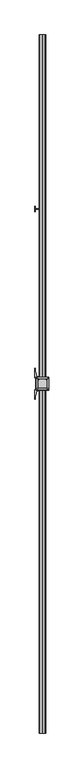
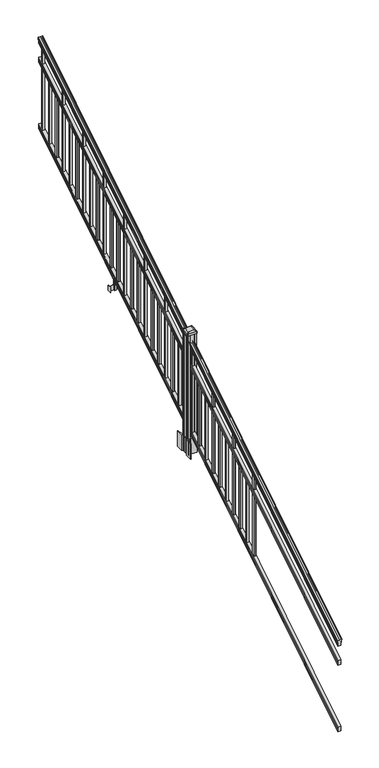
"""IFC4 building model written with IfcOpenShell, lengths in millimetres: railing geometry."""

from ifc_helpers import new_model, si_unit, point, frame, frame_2d, origin, place, context, project, spatial, polyline, circle_curve, ellipse_curve, trimmed, segment, composite_curve, outline, extrude, faceted_brep, source, transform, mapped, element, save
from ifc_brep_helpers import plane_surface, cylinder_surface, revolved_surface, extruded_surface, advanced_brep


def railing_d017ed5e(model_context):
    return source(origin(), model_context, "Body", "SolidModel", [
        advanced_brep(
        [(8349.0704765, -115957.2628453, 1133.2070492), (8349.0704765, -115957.2628453, 1135.4335658), (8350.2006628, -115957.2628453, 1137.2758543), (8350.2006628, -115957.2628453, 1145.7876358), (8349.5514064, -115957.2628453, 1148.6572588), (8352.0514064, -115957.2628453, 1153.7635509), (8353.4607489, -115957.2628453, 1155.7442021), (8353.8626479, -115957.2628453, 1157.0469579), (8353.8626478, -115957.2628453, 1158.6274846), (8352.3092005, -115957.2628453, 1160.4593836), (8331.6376478, -115957.2628453, 1160.4593836), (8310.966095, -115957.2628453, 1160.4593836), (8309.4126478, -115957.2628453, 1158.6274846), (8309.4126478, -115957.2628453, 1157.0469579), (8309.8145467, -115957.2628453, 1155.7442021), (8311.2238891, -115957.2628453, 1153.7635509), (8313.7238891, -115957.2628453, 1148.6572588), (8313.0746327, -115957.2628453, 1145.7876358), (8313.0746327, -115957.2628453, 1137.2758543), (8314.204819, -115957.2628453, 1135.4335658), (8314.204819, -115957.2628453, 1133.2070492), (8316.7786478, -115957.2628453, 1133.2070492), (8316.7786478, -115957.2628453, 1120.825537), (8315.7626478, -115957.2628453, 1119.6274214), (8315.7626478, -115957.2628453, 1104.9), (8347.5126478, -115957.2628453, 1104.9), (8347.5126478, -115957.2628453, 1119.441318), (8346.4966478, -115957.2628453, 1120.6394336), (8346.4966478, -115957.2628453, 1133.2070492), (8349.0704765, -111080.4628453, 4181.2070492), (8346.4966478, -111080.4628453, 4181.2070492), (8346.4966478, -111080.4628453, 4168.6394336), (8347.5126478, -111080.4628453, 4167.441318), (8347.5126478, -111080.4628453, 4152.9), (8315.7626478, -111080.4628453, 4152.9), (8315.7626478, -111080.4628453, 4167.6274214), (8316.7786478, -111080.4628453, 4168.825537), (8316.7786478, -111080.4628453, 4181.2070492), (8314.204819, -111080.4628453, 4181.2070492), (8314.204819, -111080.4628453, 4183.4335658), (8313.0746327, -111080.4628453, 4185.2758543), (8313.0746327, -111080.4628453, 4193.7876358), (8313.7238891, -111080.4628453, 4196.6572588), (8311.2238891, -111080.4628453, 4201.7635509), (8309.8145467, -111080.4628453, 4203.7442021), (8309.4126477, -111080.4628453, 4205.0469579), (8309.4126478, -111080.4628453, 4206.6274846), (8310.966095, -111080.4628453, 4208.4593836), (8331.6376478, -111080.4628453, 4208.4593836), (8352.3092005, -111080.4628453, 4208.4593836), (8353.8626478, -111080.4628453, 4206.6274846), (8353.8626478, -111080.4628453, 4205.0469579), (8353.4607489, -111080.4628453, 4203.7442021), (8352.0514064, -111080.4628453, 4201.7635509), (8349.5514064, -111080.4628453, 4196.6572588), (8350.2006628, -111080.4628453, 4193.7876358), (8350.2006628, -111080.4628453, 4185.2758543), (8349.0704765, -111080.4628453, 4183.4335658)],
        [
            (0, 1),
            (1, 2, ellipse_curve(frame((8342.7557232, -115957.2628453, 1142.2239405), z_axis=(0.0, -1.0, 0.0), x_axis=(0.0, 0.0, -1.0)), 10.0777926, 8.545951)),
            (2, 3, ellipse_curve(frame((8343.1927862, -115957.2628453, 1141.5317451), z_axis=(0.0, -1.0, 0.0), x_axis=(0.0, 0.0, -1.0)), 9.2955186, 7.882584)),
            (3, 4, ellipse_curve(frame((8353.7061103, -115957.2628453, 1148.4275077), z_axis=(0.0, 1.0, 0.0), x_axis=(0.0, 0.0, 1.0)), 4.9048088, 4.1592695)),
            (4, 5, ellipse_curve(frame((8354.9934169, -115957.2628453, 1148.3563208), z_axis=(0.0, 1.0, 0.0), x_axis=(0.0, 0.0, 1.0)), 6.4245301, 5.4479907)),
            (5, 6, ellipse_curve(frame((8353.7602584, -115957.2628453, 1153.7602333), z_axis=(0.0, 1.0, 0.0), x_axis=(0.0, 0.0, 1.0)), 2.0151625, 1.7088543)),
            (6, 7, ellipse_curve(frame((8352.1433583, -115957.2628453, 1157.0469579), z_axis=(0.0, -1.0, 0.0), x_axis=(0.0, 0.0, -1.0)), 2.0274681, 1.7192895)),
            (7, 8),
            (8, 9, ellipse_curve(frame((8352.3092005, -115957.2628453, 1158.6274846), z_axis=(0.0, -1.0, 0.0), x_axis=(0.0, 0.0, -1.0)), 1.831899, 1.5534472)),
            (9, 10),
            (10, 11),
            (11, 12, ellipse_curve(frame((8310.966095, -115957.2628453, 1158.6274846), z_axis=(0.0, -1.0, 0.0), x_axis=(0.0, 0.0, -1.0)), 1.831899, 1.5534472)),
            (12, 13),
            (13, 14, ellipse_curve(frame((8311.1319372, -115957.2628453, 1157.0469579), z_axis=(0.0, -1.0, 0.0), x_axis=(0.0, 0.0, -1.0)), 2.0274681, 1.7192895)),
            (14, 15, ellipse_curve(frame((8309.5150371, -115957.2628453, 1153.7602333), z_axis=(0.0, 1.0, 0.0), x_axis=(0.0, 0.0, 1.0)), 2.0151625, 1.7088543)),
            (15, 16, ellipse_curve(frame((8308.2818787, -115957.2628453, 1148.3563208), z_axis=(0.0, 1.0, 0.0), x_axis=(0.0, 0.0, 1.0)), 6.4245301, 5.4479907)),
            (16, 17, ellipse_curve(frame((8309.5691852, -115957.2628453, 1148.4275077), z_axis=(0.0, 1.0, 0.0), x_axis=(0.0, 0.0, 1.0)), 4.9048088, 4.1592695)),
            (17, 18, ellipse_curve(frame((8320.0825093, -115957.2628453, 1141.5317451), z_axis=(0.0, -1.0, 0.0), x_axis=(0.0, 0.0, -1.0)), 9.2955186, 7.882584)),
            (18, 19, ellipse_curve(frame((8320.5195723, -115957.2628453, 1142.2239405), z_axis=(0.0, -1.0, 0.0), x_axis=(0.0, 0.0, -1.0)), 10.0777926, 8.545951)),
            (19, 20),
            (20, 21, ellipse_curve(frame((8315.4917334, -115957.2628453, 1133.2070492), z_axis=(0.0, -1.0, 0.0), x_axis=(0.0, 0.0, -1.0)), 1.5175907, 1.2869144)),
            (21, 22),
            (22, 23),
            (23, 24),
            (24, 25),
            (25, 26),
            (26, 27),
            (27, 28),
            (28, 0, ellipse_curve(frame((8347.7835621, -115957.2628453, 1133.2070492), z_axis=(0.0, -1.0, 0.0), x_axis=(0.0, 0.0, -1.0)), 1.5175907, 1.2869144)),
            (29, 30, ellipse_curve(frame((8347.7835621, -111080.4628453, 4181.2070492), z_axis=(0.0, 1.0, 0.0), x_axis=(0.0, 0.0, -1.0)), 1.5175907, 1.2869144)),
            (30, 31),
            (31, 32),
            (32, 33),
            (33, 34),
            (34, 35),
            (35, 36),
            (36, 37),
            (37, 38, ellipse_curve(frame((8315.4917334, -111080.4628453, 4181.2070492), z_axis=(0.0, 1.0, 0.0), x_axis=(0.0, 0.0, -1.0)), 1.5175907, 1.2869144)),
            (38, 39),
            (39, 40, ellipse_curve(frame((8320.5195723, -111080.4628453, 4190.2239405), z_axis=(0.0, 1.0, 0.0), x_axis=(0.0, 0.0, -1.0)), 10.0777926, 8.545951)),
            (40, 41, ellipse_curve(frame((8320.0825093, -111080.4628453, 4189.5317451), z_axis=(0.0, 1.0, 0.0), x_axis=(0.0, 0.0, -1.0)), 9.2955186, 7.882584)),
            (41, 42, ellipse_curve(frame((8309.5691852, -111080.4628453, 4196.4275077), z_axis=(0.0, -1.0, 0.0), x_axis=(0.0, 0.0, 1.0)), 4.9048088, 4.1592695)),
            (42, 43, ellipse_curve(frame((8308.2818787, -111080.4628453, 4196.3563208), z_axis=(0.0, -1.0, 0.0), x_axis=(0.0, 0.0, 1.0)), 6.4245301, 5.4479907)),
            (43, 44, ellipse_curve(frame((8309.5150371, -111080.4628453, 4201.7602333), z_axis=(0.0, -1.0, 0.0), x_axis=(0.0, 0.0, 1.0)), 2.0151625, 1.7088543)),
            (44, 45, ellipse_curve(frame((8311.1319372, -111080.4628453, 4205.0469579), z_axis=(0.0, 1.0, 0.0), x_axis=(0.0, 0.0, -1.0)), 2.0274681, 1.7192895)),
            (45, 46),
            (46, 47, ellipse_curve(frame((8310.966095, -111080.4628453, 4206.6274846), z_axis=(0.0, 1.0, 0.0), x_axis=(0.0, 0.0, -1.0)), 1.831899, 1.5534472)),
            (47, 48),
            (48, 49),
            (49, 50, ellipse_curve(frame((8352.3092005, -111080.4628453, 4206.6274846), z_axis=(0.0, 1.0, 0.0), x_axis=(0.0, 0.0, -1.0)), 1.831899, 1.5534472)),
            (50, 51),
            (51, 52, ellipse_curve(frame((8352.1433583, -111080.4628453, 4205.0469579), z_axis=(0.0, 1.0, 0.0), x_axis=(0.0, 0.0, -1.0)), 2.0274681, 1.7192895)),
            (52, 53, ellipse_curve(frame((8353.7602584, -111080.4628453, 4201.7602333), z_axis=(0.0, -1.0, 0.0), x_axis=(0.0, 0.0, 1.0)), 2.0151625, 1.7088543)),
            (53, 54, ellipse_curve(frame((8354.9934169, -111080.4628453, 4196.3563208), z_axis=(0.0, -1.0, 0.0), x_axis=(0.0, 0.0, 1.0)), 6.4245301, 5.4479907)),
            (54, 55, ellipse_curve(frame((8353.7061103, -111080.4628453, 4196.4275077), z_axis=(0.0, -1.0, 0.0), x_axis=(0.0, 0.0, 1.0)), 4.9048088, 4.1592695)),
            (55, 56, ellipse_curve(frame((8343.1927862, -111080.4628453, 4189.5317451), z_axis=(0.0, 1.0, 0.0), x_axis=(0.0, 0.0, -1.0)), 9.2955186, 7.882584)),
            (56, 57, ellipse_curve(frame((8342.7557232, -111080.4628453, 4190.2239405), z_axis=(0.0, 1.0, 0.0), x_axis=(0.0, 0.0, -1.0)), 10.0777926, 8.545951)),
            (57, 29),
            (28, 30),
            (29, 0),
            (27, 31),
            (26, 32),
            (25, 33),
            (24, 34),
            (23, 35),
            (22, 36),
            (21, 37),
            (20, 38),
            (19, 39),
            (18, 40),
            (17, 41),
            (16, 42),
            (15, 43),
            (14, 44),
            (13, 45),
            (12, 46),
            (11, 47),
            (10, 48),
            (9, 49),
            (8, 50),
            (7, 51),
            (6, 52),
            (5, 53),
            (4, 54),
            (3, 55),
            (2, 56),
            (1, 57),
        ],
        [
            plane_surface(frame((8331.6376478, -115957.2628453, 1104.9), z_axis=(0.0, -1.0, 0.0), x_axis=(0.0, 0.0, 1.0))),
            plane_surface(frame((8331.6376478, -111080.4628453, 4152.9), z_axis=(0.0, 1.0, 0.0), x_axis=(0.0, 0.0, 1.0))),
            cylinder_surface(frame((8347.7835621, -115969.9851146, 1125.2556309), z_axis=(0.0, -0.8479983040051253, -0.5299989400031204), x_axis=(-1.0, 0.0, 0.0)), 1.2869144),
            plane_surface(frame((8346.4966478, -115957.2628453, 1120.6394336), z_axis=(1.0000000000000002, 0.0, 0.0), x_axis=(0.0, 0.8479983040051253, 0.5299989400031204))),
            plane_surface(frame((8347.5126478, -115957.2628453, 1119.441318), z_axis=(0.7071067811865389, -0.374765844497894, 0.5996253511967226), x_axis=(0.0, 0.8479983040051253, 0.5299989400031204))),
            plane_surface(frame((8347.5126478, -115957.2628453, 1104.9), z_axis=(1.0, 0.0, 0.0), x_axis=(0.0, 0.8479983040051252, 0.5299989400031204))),
            plane_surface(frame((8315.7626478, -115957.2628453, 1104.9), z_axis=(0.0, 0.5299989400031204, -0.8479983040051252), x_axis=(0.0, 0.8479983040051252, 0.5299989400031204))),
            plane_surface(frame((8315.7626478, -115957.2628453, 1119.6274214), z_axis=(-1.0000000000000002, 0.0, 0.0), x_axis=(0.0, 0.8479983040051253, 0.5299989400031204))),
            plane_surface(frame((8316.7786478, -115957.2628453, 1120.825537), z_axis=(-0.7071067811865437, -0.37476584449788986, 0.5996253511967191), x_axis=(0.0, 0.8479983040051252, 0.5299989400031204))),
            plane_surface(frame((8316.7786478, -115957.2628453, 1133.2070492), z_axis=(-1.0, 0.0, 0.0), x_axis=(0.0, 0.8479983040051252, 0.5299989400031204))),
            cylinder_surface(frame((8315.4917334, -115969.9851146, 1125.2556309), z_axis=(0.0, -0.8479983040051253, -0.5299989400031204), x_axis=(1.0, 0.0, 0.0)), 1.2869144),
            plane_surface(frame((8314.204819, -115957.2628453, 1135.4335658), z_axis=(-1.0, 0.0, 0.0), x_axis=(0.0, 0.8479983040051252, 0.5299989400031204))),
            cylinder_surface(frame((8320.5195723, -115974.03765, 1131.7396876), z_axis=(0.0, -0.8479983040051253, -0.5299989400031204), x_axis=(1.0, 0.0, 0.0)), 8.545951),
            cylinder_surface(frame((8320.0825093, -115973.7265509, 1131.241929), z_axis=(0.0, -0.8479983040051253, -0.5299989400031204), x_axis=(1.0, 0.0, 0.0)), 7.882584),
            revolved_surface(polyline([(8313.7284547, -111078.25843685034, 4197.805262980552), (8313.7284547, -115959.46725374945, 1147.0497524190953)]), (8309.5691852, -115976.8257701, 1136.2006797), (0.0, 0.8479983040051253, 0.5299989400031204)),
            revolved_surface(polyline([(8313.7298694, -111077.57541603575, 4198.160964077185), (8313.7298694, -115960.15027455281, 1146.551677504493)]), (8308.2818787, -115976.793776, 1136.1494891), (0.0, 0.8479983040051253, 0.5299989400031204)),
            revolved_surface(polyline([(8311.2238914, -111079.55715429978, 4202.326290199651), (8311.2238914, -115958.16853632247, 1153.1941764359478)]), (8309.5150371, -115979.2225007, 1140.0354487), (0.0, 0.8479983040051253, 0.5299989400031204)),
            cylinder_surface(frame((8311.1319372, -115980.6996803, 1142.398936), z_axis=(0.0, -0.8479983040051253, -0.5299989400031204), x_axis=(1.0, 0.0, 0.0)), 1.7192895),
            plane_surface(frame((8309.4126478, -115957.2628453, 1158.6274846), z_axis=(-1.0, 0.0, 0.0), x_axis=(0.0, 0.8479983040051252, 0.5299989400031204))),
            cylinder_surface(frame((8310.966095, -115981.4100294, 1143.5354945), z_axis=(0.0, -0.8479983040051253, -0.5299989400031204), x_axis=(1.0, 0.0, 0.0)), 1.5534472),
            plane_surface(frame((8331.6376478, -115957.2628453, 1160.4593836), z_axis=(0.0, -0.5299989400031204, 0.8479983040051252), x_axis=(0.0, 0.8479983040051252, 0.5299989400031204))),
            plane_surface(frame((8352.3092005, -115957.2628453, 1160.4593836), z_axis=(0.0, -0.5299989400031204, 0.8479983040051252), x_axis=(0.0, 0.8479983040051252, 0.5299989400031204))),
            cylinder_surface(frame((8352.3092005, -115981.4100294, 1143.5354945), z_axis=(0.0, -0.8479983040051253, -0.5299989400031204), x_axis=(-1.0, 0.0, 0.0)), 1.5534472),
            plane_surface(frame((8353.8626478, -115957.2628453, 1157.0469579), z_axis=(1.0000000000000002, 0.0, 0.0), x_axis=(0.0, 0.8479983040051253, 0.5299989400031204))),
            cylinder_surface(frame((8352.1433583, -115980.6996803, 1142.398936), z_axis=(0.0, -0.8479983040051253, -0.5299989400031204), x_axis=(-1.0, 0.0, 0.0)), 1.7192895),
            revolved_surface(polyline([(8352.051404099999, -111079.55715429978, 4202.326290199651), (8352.051404099999, -115958.16853632247, 1153.1941764359478)]), (8353.7602584, -115979.2225007, 1140.0354487), (0.0, 0.8479983040051253, 0.5299989400031204)),
            revolved_surface(polyline([(8349.5454262, -111077.57541603575, 4198.160964077185), (8349.5454262, -115960.15027455281, 1146.551677504493)]), (8354.9934169, -115976.793776, 1136.1494891), (0.0, 0.8479983040051253, 0.5299989400031204)),
            revolved_surface(polyline([(8349.5468408, -111078.25843685034, 4197.805262980552), (8349.5468408, -115959.46725374945, 1147.0497524190953)]), (8353.7061103, -115976.8257701, 1136.2006797), (0.0, 0.8479983040051253, 0.5299989400031204)),
            cylinder_surface(frame((8343.1927862, -115973.7265509, 1131.241929), z_axis=(0.0, -0.8479983040051253, -0.5299989400031204), x_axis=(-1.0, 0.0, 0.0)), 7.882584),
            cylinder_surface(frame((8342.7557232, -115974.03765, 1131.7396876), z_axis=(0.0, -0.8479983040051253, -0.5299989400031204), x_axis=(-1.0, 0.0, 0.0)), 8.545951),
            plane_surface(frame((8349.0704765, -115957.2628453, 1133.2070492), z_axis=(1.0, 0.0, 0.0), x_axis=(0.0, 0.8479983040051252, 0.5299989400031204))),
        ],
        [
            (0, [[1, 2, 3, 4, 5, 6, 7, 8, 9, 10, 11, 12, 13, 14, 15, 16, 17, 18, 19, 20, 21, 22, 23, 24, 25, 26, 27, 28, 29]]),
            (1, [[30, 31, 32, 33, 34, 35, 36, 37, 38, 39, 40, 41, 42, 43, 44, 45, 46, 47, 48, 49, 50, 51, 52, 53, 54, 55, 56, 57, 58]]),
            (2, [[-29, 59, -30, 60]]),
            (3, [[-28, 61, -31, -59]]),
            (4, [[-27, 62, -32, -61]]),
            (5, [[-26, 63, -33, -62]]),
            (6, [[-25, 64, -34, -63]]),
            (7, [[-24, 65, -35, -64]]),
            (8, [[-23, 66, -36, -65]]),
            (9, [[-22, 67, -37, -66]]),
            (10, [[-21, 68, -38, -67]]),
            (11, [[-20, 69, -39, -68]]),
            (12, [[-19, 70, -40, -69]]),
            (13, [[-18, 71, -41, -70]]),
            (14, [[-17, 72, -42, -71]]),
            (15, [[-16, 73, -43, -72]]),
            (16, [[-15, 74, -44, -73]]),
            (17, [[-14, 75, -45, -74]]),
            (18, [[-13, 76, -46, -75]]),
            (19, [[-12, 77, -47, -76]]),
            (20, [[-11, 78, -48, -77]]),
            (21, [[-10, 79, -49, -78]]),
            (22, [[-9, 80, -50, -79]]),
            (23, [[-8, 81, -51, -80]]),
            (24, [[-7, 82, -52, -81]]),
            (25, [[-6, 83, -53, -82]]),
            (26, [[-5, 84, -54, -83]]),
            (27, [[-4, 85, -55, -84]]),
            (28, [[-3, 86, -56, -85]]),
            (29, [[-2, 87, -57, -86]]),
            (30, [[-1, -60, -58, -87]]),
        ],
    ),
        faceted_brep([(8347.5501347, -115957.2628453, 929.2045079), (8346.5341347, -115957.2628453, 930.738026), (8346.5341347, -115957.2628453, 942.9545048), (8347.5501347, -115957.2628453, 944.5444579), (8347.5501347, -115957.2628453, 959.3244744), (8315.8001347, -115957.2628453, 959.3244744), (8315.8001347, -115957.2628453, 944.5248272), (8316.8161347, -115957.2628453, 942.9348741), (8316.8161347, -115957.2628453, 930.7748303), (8315.8001347, -115957.2628453, 929.1848772), (8315.8001347, -115957.2628453, 914.4), (8347.5501347, -115957.2628453, 914.4), (8347.5501347, -111080.4628453, 3977.2045079), (8347.5501347, -111080.4628453, 3962.4), (8315.8001347, -111080.4628453, 3962.4), (8315.8001347, -111080.4628453, 3977.1848772), (8316.8161347, -111080.4628453, 3978.7748303), (8316.8161347, -111080.4628453, 3990.9348741), (8315.8001347, -111080.4628453, 3992.5248272), (8315.8001347, -111080.4628453, 4007.3244744), (8347.5501347, -111080.4628453, 4007.3244744), (8347.5501347, -111080.4628453, 3992.5444579), (8346.5341347, -111080.4628453, 3990.9545048), (8346.5341347, -111080.4628453, 3978.738026)], [[[0, 1, 2, 3, 4, 5, 6, 7, 8, 9, 10, 11]], [[12, 13, 14, 15, 16, 17, 18, 19, 20, 21, 22, 23]], [[0, 11, 13, 12]], [[11, 10, 14, 13]], [[10, 9, 15, 14]], [[9, 8, 16, 15]], [[8, 7, 17, 16]], [[7, 6, 18, 17]], [[6, 5, 19, 18]], [[5, 4, 20, 19]], [[4, 3, 21, 20]], [[3, 2, 22, 21]], [[2, 1, 23, 22]], [[1, 0, 12, 23]]]),
        faceted_brep([(8347.5501347, -115957.2628453, 268.8045079), (8346.5341347, -115957.2628453, 270.338026), (8346.5341347, -115957.2628453, 282.5545048), (8347.5501347, -115957.2628453, 284.1444579), (8347.5501347, -115957.2628453, 298.9244744), (8315.8001347, -115957.2628453, 298.9244744), (8315.8001347, -115957.2628453, 284.1248272), (8316.8161347, -115957.2628453, 282.5348741), (8316.8161347, -115957.2628453, 270.3748303), (8315.8001347, -115957.2628453, 268.7848772), (8315.8001347, -115957.2628453, 254.0), (8347.5501347, -115957.2628453, 254.0), (8347.5501347, -111080.4628453, 3316.8045079), (8347.5501347, -111080.4628453, 3302.0), (8315.8001347, -111080.4628453, 3302.0), (8315.8001347, -111080.4628453, 3316.7848772), (8316.8161347, -111080.4628453, 3318.3748303), (8316.8161347, -111080.4628453, 3330.5348741), (8315.8001347, -111080.4628453, 3332.1248272), (8315.8001347, -111080.4628453, 3346.9244744), (8347.5501347, -111080.4628453, 3346.9244744), (8347.5501347, -111080.4628453, 3332.1444579), (8346.5341347, -111080.4628453, 3330.5545048), (8346.5341347, -111080.4628453, 3318.338026)], [[[0, 1, 2, 3, 4, 5, 6, 7, 8, 9, 10, 11]], [[12, 13, 14, 15, 16, 17, 18, 19, 20, 21, 22, 23]], [[2, 1, 23, 22]], [[4, 3, 21, 20]], [[6, 5, 19, 18]], [[0, 11, 13, 12]], [[1, 0, 12, 23]], [[3, 2, 22, 21]], [[5, 4, 20, 19]], [[7, 6, 18, 17]], [[8, 7, 17, 16]], [[9, 8, 16, 15]], [[10, 9, 15, 14]], [[11, 10, 14, 13]]]),
        extrude(outline(polyline([(8341.1626478, -111137.2318453), (8322.1126478, -111137.2318453), (8322.1126478, -111118.1818453), (8341.1626478, -111118.1818453), (8341.1626478, -111137.2318453)]), holes=[polyline([(8340.7657728, -111136.8349703), (8340.7657728, -111118.5787203), (8322.5095228, -111118.5787203), (8322.5095228, -111136.8349703), (8340.7657728, -111136.8349703)])]), frame((0.0, 0.0, 3310.5683781), z_axis=(0.0, 0.0, 1.0), x_axis=(1.0, 0.0, 0.0)), (0.0, 0.0, 1.0), 812.8041219),
        extrude(outline(polyline([(8341.1626478, -111248.4838453), (8322.1126478, -111248.4838453), (8322.1126478, -111229.4338453), (8341.1626478, -111229.4338453), (8341.1626478, -111248.4838453)]), holes=[polyline([(8340.7657728, -111248.0869703), (8340.7657728, -111229.8307203), (8322.5095228, -111229.8307203), (8322.5095228, -111248.0869703), (8340.7657728, -111248.0869703)])]), frame((0.0, 0.0, 3241.0358781), z_axis=(0.0, 0.0, 1.0), x_axis=(1.0, 0.0, 0.0)), (0.0, 0.0, 1.0), 622.3041219),
        extrude(outline(polyline([(8341.1626478, -111359.7358453), (8322.1126478, -111359.7358453), (8322.1126478, -111340.6858453), (8341.1626478, -111340.6858453), (8341.1626478, -111359.7358453)]), holes=[polyline([(8340.7657728, -111359.3389703), (8340.7657728, -111341.0827203), (8322.5095228, -111341.0827203), (8322.5095228, -111359.3389703), (8340.7657728, -111359.3389703)])]), frame((0.0, 0.0, 3171.5033781), z_axis=(0.0, 0.0, 1.0), x_axis=(1.0, 0.0, 0.0)), (0.0, 0.0, 1.0), 622.3041219),
        extrude(outline(polyline([(8341.1626478, -111470.9878453), (8322.1126478, -111470.9878453), (8322.1126478, -111451.9378453), (8341.1626478, -111451.9378453), (8341.1626478, -111470.9878453)]), holes=[polyline([(8340.7657728, -111470.5909703), (8340.7657728, -111452.3347203), (8322.5095228, -111452.3347203), (8322.5095228, -111470.5909703), (8340.7657728, -111470.5909703)])]), frame((0.0, 0.0, 3101.9708781), z_axis=(0.0, 0.0, 1.0), x_axis=(1.0, 0.0, 0.0)), (0.0, 0.0, 1.0), 812.8041219),
        extrude(outline(polyline([(8341.1626478, -111582.2398453), (8322.1126478, -111582.2398453), (8322.1126478, -111563.1898453), (8341.1626478, -111563.1898453), (8341.1626478, -111582.2398453)]), holes=[polyline([(8340.7657728, -111581.8429703), (8340.7657728, -111563.5867203), (8322.5095228, -111563.5867203), (8322.5095228, -111581.8429703), (8340.7657728, -111581.8429703)])]), frame((0.0, 0.0, 3032.4383781), z_axis=(0.0, 0.0, 1.0), x_axis=(1.0, 0.0, 0.0)), (0.0, 0.0, 1.0), 622.3041219),
        extrude(outline(polyline([(8341.1626478, -111693.4918453), (8322.1126478, -111693.4918453), (8322.1126478, -111674.4418453), (8341.1626478, -111674.4418453), (8341.1626478, -111693.4918453)]), holes=[polyline([(8340.7657728, -111693.0949703), (8340.7657728, -111674.8387203), (8322.5095228, -111674.8387203), (8322.5095228, -111693.0949703), (8340.7657728, -111693.0949703)])]), frame((0.0, 0.0, 2962.9058781), z_axis=(0.0, 0.0, 1.0), x_axis=(1.0, 0.0, 0.0)), (0.0, 0.0, 1.0), 622.3041219),
        extrude(outline(polyline([(8341.1626478, -111804.7438453), (8322.1126478, -111804.7438453), (8322.1126478, -111785.6938453), (8341.1626478, -111785.6938453), (8341.1626478, -111804.7438453)]), holes=[polyline([(8340.7657728, -111804.3469703), (8340.7657728, -111786.0907203), (8322.5095228, -111786.0907203), (8322.5095228, -111804.3469703), (8340.7657728, -111804.3469703)])]), frame((0.0, 0.0, 2893.3733781), z_axis=(0.0, 0.0, 1.0), x_axis=(1.0, 0.0, 0.0)), (0.0, 0.0, 1.0), 812.8041219),
        extrude(outline(polyline([(8341.1626478, -111915.9958453), (8322.1126478, -111915.9958453), (8322.1126478, -111896.9458453), (8341.1626478, -111896.9458453), (8341.1626478, -111915.9958453)]), holes=[polyline([(8340.7657728, -111915.5989703), (8340.7657728, -111897.3427203), (8322.5095228, -111897.3427203), (8322.5095228, -111915.5989703), (8340.7657728, -111915.5989703)])]), frame((0.0, 0.0, 2823.8408781), z_axis=(0.0, 0.0, 1.0), x_axis=(1.0, 0.0, 0.0)), (0.0, 0.0, 1.0), 622.3041219),
        extrude(outline(polyline([(8341.1626478, -112027.2478453), (8322.1126478, -112027.2478453), (8322.1126478, -112008.1978453), (8341.1626478, -112008.1978453), (8341.1626478, -112027.2478453)]), holes=[polyline([(8340.7657728, -112026.8509703), (8340.7657728, -112008.5947203), (8322.5095228, -112008.5947203), (8322.5095228, -112026.8509703), (8340.7657728, -112026.8509703)])]), frame((0.0, 0.0, 2754.3083781), z_axis=(0.0, 0.0, 1.0), x_axis=(1.0, 0.0, 0.0)), (0.0, 0.0, 1.0), 622.3041219),
        extrude(outline(polyline([(8341.1626478, -112138.4998453), (8322.1126478, -112138.4998453), (8322.1126478, -112119.4498453), (8341.1626478, -112119.4498453), (8341.1626478, -112138.4998453)]), holes=[polyline([(8340.7657728, -112138.1029703), (8340.7657728, -112119.8467203), (8322.5095228, -112119.8467203), (8322.5095228, -112138.1029703), (8340.7657728, -112138.1029703)])]), frame((0.0, 0.0, 2684.7758781), z_axis=(0.0, 0.0, 1.0), x_axis=(1.0, 0.0, 0.0)), (0.0, 0.0, 1.0), 812.8041219),
        extrude(outline(polyline([(8341.1626478, -112249.7518453), (8322.1126478, -112249.7518453), (8322.1126478, -112230.7018453), (8341.1626478, -112230.7018453), (8341.1626478, -112249.7518453)]), holes=[polyline([(8340.7657728, -112249.3549703), (8340.7657728, -112231.0987203), (8322.5095228, -112231.0987203), (8322.5095228, -112249.3549703), (8340.7657728, -112249.3549703)])]), frame((0.0, 0.0, 2615.2433781), z_axis=(0.0, 0.0, 1.0), x_axis=(1.0, 0.0, 0.0)), (0.0, 0.0, 1.0), 622.3041219),
        extrude(outline(polyline([(8320.969648, -112297.1228453), (8281.5996478, -112297.1228453), (8281.5996478, -112294.5828453), (8320.969648, -112294.5828453), (8320.969648, -112297.1228453)])), frame((0.0, 0.0, 2428.08125), z_axis=(0.0, 0.0, 1.0), x_axis=(1.0, 0.0, 0.0)), (0.0, 0.0, 1.0), 50.8),
        extrude(outline(polyline([(8281.5996478, -112314.9028453), (8279.0596478, -112314.9028453), (8279.0596478, -112276.8028453), (8281.5996478, -112276.8028453), (8281.5996478, -112314.9028453)])), frame((0.0, 0.0, 2428.08125), z_axis=(0.0, 0.0, 1.0), x_axis=(1.0, 0.0, 0.0)), (0.0, 0.0, 1.0), 50.8),
        extrude(outline(polyline([(8342.3056485, -112305.7588453), (8320.969648, -112305.7588453), (8320.969648, -112285.9468453), (8342.3056485, -112285.9468453), (8342.3056485, -112305.7588453)]), holes=[polyline([(8339.0036484, -112303.2188453), (8339.0036484, -112288.4868453), (8324.2716481, -112288.4868453), (8324.2716481, -112303.2188453), (8339.0036484, -112303.2188453)])]), frame((0.0, 0.0, 2428.08125), z_axis=(0.0, 0.0, 1.0), x_axis=(1.0, 0.0, 0.0)), (0.0, 0.0, 1.0), 50.8),
        extrude(outline(polyline([(2567.6016479, 8313.4766489), (2566.8396469, 8312.7146479), (2540.3492523, 8312.7146479), (2539.5872513, 8313.4766489), (2539.5872513, 8323.509648), (2538.8252512, 8324.2716481), (2475.3252512, 8324.2716481), (2475.3252512, 8339.0036484), (2538.8252512, 8339.0036484), (2539.5872513, 8339.7656485), (2539.5872513, 8349.7986475), (2540.3492523, 8350.5606486), (2566.8396469, 8350.5606486), (2567.6016479, 8349.7986475), (2567.6016479, 8347.766648), (2566.5856453, 8346.7506482), (2556.1498581, 8346.7506482), (2555.1338573, 8347.766648), (2543.143251, 8347.766648), (2542.3812519, 8347.0046488), (2542.3812519, 8316.2706477), (2543.143251, 8315.5086485), (2555.1338573, 8315.5086485), (2556.1498581, 8316.5246483), (2566.5856453, 8316.5246483), (2567.6016479, 8315.5086485), (2567.6016479, 8313.4766489)]), holes=[polyline([(2539.5872513, 8335.0666481), (2538.8252512, 8335.8286482), (2482.8182531, 8335.8286482), (2482.0562531, 8335.0666481), (2482.0562531, 8328.2086455), (2482.8182503, 8327.4466483), (2538.8252512, 8327.4466483), (2539.5872513, 8328.2086483), (2539.5872513, 8335.0666481)])]), frame((0.0, -112303.2188453, 0.0), z_axis=(0.0, 1.0, 0.0), x_axis=(0.0, 0.0, 1.0)), (0.0, 0.0, 1.0), 14.732),
        extrude(outline(polyline([(8341.1626478, -112361.0038453), (8322.1126478, -112361.0038453), (8322.1126478, -112341.9538453), (8341.1626478, -112341.9538453), (8341.1626478, -112361.0038453)]), holes=[polyline([(8340.7657728, -112360.6069703), (8340.7657728, -112342.3507203), (8322.5095228, -112342.3507203), (8322.5095228, -112360.6069703), (8340.7657728, -112360.6069703)])]), frame((0.0, 0.0, 2545.7108781), z_axis=(0.0, 0.0, 1.0), x_axis=(1.0, 0.0, 0.0)), (0.0, 0.0, 1.0), 622.3041219),
        extrude(outline(polyline([(8341.1626478, -112472.2558453), (8322.1126478, -112472.2558453), (8322.1126478, -112453.2058453), (8341.1626478, -112453.2058453), (8341.1626478, -112472.2558453)]), holes=[polyline([(8340.7657728, -112471.8589703), (8340.7657728, -112453.6027203), (8322.5095228, -112453.6027203), (8322.5095228, -112471.8589703), (8340.7657728, -112471.8589703)])]), frame((0.0, 0.0, 2476.1783781), z_axis=(0.0, 0.0, 1.0), x_axis=(1.0, 0.0, 0.0)), (0.0, 0.0, 1.0), 812.8041219),
        extrude(outline(polyline([(8341.1626478, -112583.5078453), (8322.1126478, -112583.5078453), (8322.1126478, -112564.4578453), (8341.1626478, -112564.4578453), (8341.1626478, -112583.5078453)]), holes=[polyline([(8340.7657728, -112583.1109703), (8340.7657728, -112564.8547203), (8322.5095228, -112564.8547203), (8322.5095228, -112583.1109703), (8340.7657728, -112583.1109703)])]), frame((0.0, 0.0, 2406.6458781), z_axis=(0.0, 0.0, 1.0), x_axis=(1.0, 0.0, 0.0)), (0.0, 0.0, 1.0), 622.3041219),
        extrude(outline(polyline([(8341.1626478, -112694.7598453), (8322.1126478, -112694.7598453), (8322.1126478, -112675.7098453), (8341.1626478, -112675.7098453), (8341.1626478, -112694.7598453)]), holes=[polyline([(8340.7657728, -112694.3629703), (8340.7657728, -112676.1067203), (8322.5095228, -112676.1067203), (8322.5095228, -112694.3629703), (8340.7657728, -112694.3629703)])]), frame((0.0, 0.0, 2337.1133781), z_axis=(0.0, 0.0, 1.0), x_axis=(1.0, 0.0, 0.0)), (0.0, 0.0, 1.0), 622.3041219),
        extrude(outline(polyline([(8341.1626478, -112806.0118453), (8322.1126478, -112806.0118453), (8322.1126478, -112786.9618453), (8341.1626478, -112786.9618453), (8341.1626478, -112806.0118453)]), holes=[polyline([(8340.7657728, -112805.6149703), (8340.7657728, -112787.3587203), (8322.5095228, -112787.3587203), (8322.5095228, -112805.6149703), (8340.7657728, -112805.6149703)])]), frame((0.0, 0.0, 2267.5808781), z_axis=(0.0, 0.0, 1.0), x_axis=(1.0, 0.0, 0.0)), (0.0, 0.0, 1.0), 812.8041219),
        extrude(outline(polyline([(8341.1626478, -112917.2638453), (8322.1126478, -112917.2638453), (8322.1126478, -112898.2138453), (8341.1626478, -112898.2138453), (8341.1626478, -112917.2638453)]), holes=[polyline([(8340.7657728, -112916.8669703), (8340.7657728, -112898.6107203), (8322.5095228, -112898.6107203), (8322.5095228, -112916.8669703), (8340.7657728, -112916.8669703)])]), frame((0.0, 0.0, 2198.0483781), z_axis=(0.0, 0.0, 1.0), x_axis=(1.0, 0.0, 0.0)), (0.0, 0.0, 1.0), 622.3041219),
        extrude(outline(polyline([(8341.1626478, -113028.5158453), (8322.1126478, -113028.5158453), (8322.1126478, -113009.4658453), (8341.1626478, -113009.4658453), (8341.1626478, -113028.5158453)]), holes=[polyline([(8340.7657728, -113028.1189703), (8340.7657728, -113009.8627203), (8322.5095228, -113009.8627203), (8322.5095228, -113028.1189703), (8340.7657728, -113028.1189703)])]), frame((0.0, 0.0, 2128.5158781), z_axis=(0.0, 0.0, 1.0), x_axis=(1.0, 0.0, 0.0)), (0.0, 0.0, 1.0), 622.3041219),
        extrude(outline(polyline([(8341.1626478, -113139.7678453), (8322.1126478, -113139.7678453), (8322.1126478, -113120.7178453), (8341.1626478, -113120.7178453), (8341.1626478, -113139.7678453)]), holes=[polyline([(8340.7657728, -113139.3709703), (8340.7657728, -113121.1147203), (8322.5095228, -113121.1147203), (8322.5095228, -113139.3709703), (8340.7657728, -113139.3709703)])]), frame((0.0, 0.0, 2058.9833781), z_axis=(0.0, 0.0, 1.0), x_axis=(1.0, 0.0, 0.0)), (0.0, 0.0, 1.0), 812.8041219),
        extrude(outline(polyline([(8341.1626478, -113251.0198453), (8322.1126478, -113251.0198453), (8322.1126478, -113231.9698453), (8341.1626478, -113231.9698453), (8341.1626478, -113251.0198453)]), holes=[polyline([(8340.7657728, -113250.6229703), (8340.7657728, -113232.3667203), (8322.5095228, -113232.3667203), (8322.5095228, -113250.6229703), (8340.7657728, -113250.6229703)])]), frame((0.0, 0.0, 1989.4508781), z_axis=(0.0, 0.0, 1.0), x_axis=(1.0, 0.0, 0.0)), (0.0, 0.0, 1.0), 622.3041219),
        extrude(outline(polyline([(8341.1626478, -113362.2718453), (8322.1126478, -113362.2718453), (8322.1126478, -113343.2218453), (8341.1626478, -113343.2218453), (8341.1626478, -113362.2718453)]), holes=[polyline([(8340.7657728, -113361.8749703), (8340.7657728, -113343.6187203), (8322.5095228, -113343.6187203), (8322.5095228, -113361.8749703), (8340.7657728, -113361.8749703)])]), frame((0.0, 0.0, 1919.9183781), z_axis=(0.0, 0.0, 1.0), x_axis=(1.0, 0.0, 0.0)), (0.0, 0.0, 1.0), 622.3041219),
        extrude(outline(polyline([(8341.1626478, -113473.5238453), (8322.1126478, -113473.5238453), (8322.1126478, -113454.4738453), (8341.1626478, -113454.4738453), (8341.1626478, -113473.5238453)]), holes=[polyline([(8340.7657728, -113473.1269703), (8340.7657728, -113454.8707203), (8322.5095228, -113454.8707203), (8322.5095228, -113473.1269703), (8340.7657728, -113473.1269703)])]), frame((0.0, 0.0, 1850.3858781), z_axis=(0.0, 0.0, 1.0), x_axis=(1.0, 0.0, 0.0)), (0.0, 0.0, 1.0), 812.8041219),
        extrude(outline(composite_curve([segment(polyline([(8374.3731478, -113533.7089401), (8375.9606478, -113534.4709401), (8375.9606478, -113557.2728682), (8372.5876707, -113560.6458453), (8311.1279999, -113560.6458453), (8311.1279999, -113561.5665953), (8305.8104561, -113561.5665953), (8305.8104561, -113563.02085), (8300.7259264, -113563.02085), (8300.7259264, -113564.3048738), (8299.0586541, -113564.3048738)]), True, "CONTINUOUS"), segment(trimmed(circle_curve(frame_2d((8299.0586541, -113571.3643337)), 7.0594599), [point((8299.0586541, -113564.3048738))], [point((8292.2913912, -113569.354327))], True, "CARTESIAN"), True, "CONTINUOUS"), segment(polyline([(8292.2913912, -113569.354327), (8284.4171969, -113595.8650561)]), True, "CONTINUOUS"), segment(trimmed(circle_curve(frame_2d((8339.2017103, -113612.1371057)), 57.15), [point((8284.4171969, -113595.8650561))], [point((8282.0517103, -113612.1371057))], True, "CARTESIAN"), True, "CONTINUOUS"), segment(polyline([(8282.0517103, -113612.1371057), (8282.0517103, -113624.1458453), (8279.0517103, -113624.1458453), (8279.0517103, -113559.0583453), (8287.3146478, -113547.720054), (8287.3146478, -113534.4709401), (8288.9021478, -113533.7089401), (8288.9021478, -113498.9367504), (8287.3146478, -113498.1747504), (8287.3146478, -113484.9256366), (8279.0517103, -113473.5873453), (8279.0517103, -113408.4998453), (8282.0517103, -113408.4998453), (8282.0517103, -113420.5085848)]), True, "CONTINUOUS"), segment(trimmed(circle_curve(frame_2d((8339.2017103, -113420.5085848)), 57.15), [point((8282.0517103, -113420.5085848))], [point((8284.4171969, -113436.7806345))], True, "CARTESIAN"), True, "CONTINUOUS"), segment(polyline([(8284.4171969, -113436.7806345), (8292.2913912, -113463.2913636)]), True, "CONTINUOUS"), segment(trimmed(circle_curve(frame_2d((8299.0586541, -113461.2813569)), 7.0594599), [point((8292.2913912, -113463.2913636))], [point((8299.0586541, -113468.3408168))], True, "CARTESIAN"), True, "CONTINUOUS"), segment(polyline([(8299.0586541, -113468.3408168), (8300.7259264, -113468.3408168), (8300.7259264, -113469.6248406), (8305.8104561, -113469.6248406), (8305.8104561, -113471.0790953), (8311.1279999, -113471.0790953), (8311.1279999, -113471.9998453), (8372.5876707, -113471.9998453), (8375.9606478, -113475.3728224), (8375.9606478, -113498.1747504), (8374.3731478, -113498.9367504), (8374.3731478, -113533.7089401)]), True, "CONTINUOUS")], self_intersect=False), holes=[polyline([(8290.3626478, -113476.6353453), (8290.3626478, -113556.0103453), (8291.9501478, -113557.5978453), (8328.8744304, -113557.5978453), (8371.3251478, -113557.5978453), (8372.9126478, -113556.0103453), (8372.9126478, -113476.6353453), (8371.3251478, -113475.0478453), (8328.8744304, -113475.0478453), (8291.9501478, -113475.0478453), (8290.3626478, -113476.6353453)])]), frame((0.0, 0.0, 1563.6875), z_axis=(0.0, 0.0, 1.0), x_axis=(1.0, 0.0, 0.0)), (0.0, 0.0, 1.0), 152.4),
        advanced_brep(
        [(8305.8407728, -113545.2947203, 2776.026763), (8357.4345228, -113545.2947203, 2776.026763), (8360.6095228, -113542.1197203, 2776.026763), (8360.6095228, -113490.5259703, 2776.026763), (8357.4345228, -113487.3509703, 2776.026763), (8305.8407728, -113487.3509703, 2776.026763), (8302.6657728, -113490.5259703, 2776.026763), (8302.6657728, -113542.1197203, 2776.026763), (8289.5688978, -113561.5665953, 2764.723763), (8286.3938978, -113558.3915953, 2764.723763), (8286.3938978, -113474.2540953, 2764.723763), (8289.5688978, -113471.0790953, 2764.723763), (8373.7063978, -113471.0790953, 2764.723763), (8376.8813978, -113474.2540953, 2764.723763), (8376.8813978, -113558.3915953, 2764.723763), (8373.7063978, -113561.5665953, 2764.723763)],
        [
            (0, 1),
            (1, 2, circle_curve(frame((8357.4345228, -113542.1197203, 2776.026763), z_axis=(0.0, 0.0, 1.0), x_axis=(0.0, 1.0, 0.0)), 3.175)),
            (2, 3),
            (3, 4, circle_curve(frame((8357.4345228, -113490.5259703, 2776.026763), z_axis=(0.0, 0.0, 1.0), x_axis=(0.0, 1.0, 0.0)), 3.175)),
            (4, 5),
            (5, 6, circle_curve(frame((8305.8407728, -113490.5259703, 2776.026763), z_axis=(0.0, 0.0, 1.0), x_axis=(0.0, 1.0, 0.0)), 3.175)),
            (6, 7),
            (7, 0, circle_curve(frame((8305.8407728, -113542.1197203, 2776.026763), z_axis=(0.0, 0.0, 1.0), x_axis=(0.0, 1.0, 0.0)), 3.175)),
            (8, 9, circle_curve(frame((8289.5688978, -113558.3915953, 2764.723763), z_axis=(0.0, 0.0, -1.0), x_axis=(0.0, 1.0, 0.0)), 3.175)),
            (9, 10),
            (10, 11, circle_curve(frame((8289.5688978, -113474.2540953, 2764.723763), z_axis=(0.0, 0.0, -1.0), x_axis=(0.0, 1.0, 0.0)), 3.175)),
            (11, 12),
            (12, 13, circle_curve(frame((8373.7063978, -113474.2540953, 2764.723763), z_axis=(0.0, 0.0, -1.0), x_axis=(0.0, 1.0, 0.0)), 3.175)),
            (13, 14),
            (14, 15, circle_curve(frame((8373.7063978, -113558.3915953, 2764.723763), z_axis=(0.0, 0.0, -1.0), x_axis=(0.0, 1.0, 0.0)), 3.175)),
            (15, 8),
            (8, 0),
            (7, 9),
            (6, 10),
            (5, 11),
            (4, 12),
            (3, 13),
            (2, 14),
            (1, 15),
        ],
        [
            plane_surface(frame((8331.6376478, -113516.3228453, 2776.026763), z_axis=(0.0, 0.0, 1.0), x_axis=(-1.0, 0.0, 0.0))),
            plane_surface(frame((8331.6376478, -113516.3228453, 2764.723763), z_axis=(0.0, 0.0, -1.0), x_axis=(-1.0, 0.0, 0.0))),
            extruded_surface(trimmed(circle_curve(frame((8305.8407728, -113542.1197203, 2776.026763), z_axis=(0.0, 0.0, -1.0), x_axis=(0.0, 1.0, 0.0)), 3.175), [point((8305.8407728, -113545.2947203, 2776.026763))], [point((8302.6657728, -113542.1197203, 2776.026763))], True, "CARTESIAN"), (-16.271875000000364, -16.27187499999127, -11.302999999999884), 25.637972638860802),
            plane_surface(frame((8286.3938978, -113516.3228453, 2764.723763), z_axis=(-0.5705009161540778, 0.0, 0.8212969649690408), x_axis=(0.0, 1.0, 0.0))),
            extruded_surface(trimmed(circle_curve(frame((8305.8407728, -113490.5259703, 2776.026763), z_axis=(0.0, 0.0, -1.0), x_axis=(0.0, 1.0, 0.0)), 3.175), [point((8302.6657728, -113490.5259703, 2776.026763))], [point((8305.8407728, -113487.3509703, 2776.026763))], True, "CARTESIAN"), (-16.271875000000364, 16.27187500000582, -11.302999999999884), 25.637972638870036),
            plane_surface(frame((8331.6376478, -113471.0790953, 2764.723763), z_axis=(0.0, 0.5705009161540291, 0.8212969649690747), x_axis=(1.0, 0.0, 0.0))),
            extruded_surface(trimmed(circle_curve(frame((8357.4345228, -113490.5259703, 2776.026763), z_axis=(0.0, 0.0, -1.0), x_axis=(0.0, 1.0, 0.0)), 3.175), [point((8357.4345228, -113487.3509703, 2776.026763))], [point((8360.6095228, -113490.5259703, 2776.026763))], True, "CARTESIAN"), (16.271875000000364, 16.27187500000582, -11.302999999999884), 25.637972638870036),
            plane_surface(frame((8376.8813978, -113516.3228453, 2764.723763), z_axis=(0.5705009161540142, 0.0, 0.8212969649690851), x_axis=(0.0, -1.0, 0.0))),
            extruded_surface(trimmed(circle_curve(frame((8357.4345228, -113542.1197203, 2776.026763), z_axis=(0.0, 0.0, -1.0), x_axis=(0.0, 1.0, 0.0)), 3.175), [point((8360.6095228, -113542.1197203, 2776.026763))], [point((8357.4345228, -113545.2947203, 2776.026763))], True, "CARTESIAN"), (16.271875000000364, -16.27187499999127, -11.302999999999884), 25.637972638860802),
            plane_surface(frame((8331.6376478, -113561.5665953, 2764.723763), z_axis=(0.0, -0.570500916154034, 0.8212969649690713), x_axis=(-1.0, 0.0, 0.0))),
        ],
        [
            (0, [[1, 2, 3, 4, 5, 6, 7, 8]]),
            (1, [[9, 10, 11, 12, 13, 14, 15, 16]]),
            (2, [[17, -8, 18, -9]]),
            (3, [[-18, -7, 19, -10]]),
            (4, [[-19, -6, 20, -11]]),
            (5, [[-20, -5, 21, -12]]),
            (6, [[-21, -4, 22, -13]]),
            (7, [[-22, -3, 23, -14]]),
            (8, [[-23, -2, 24, -15]]),
            (9, [[-24, -1, -17, -16]]),
        ],
    ),
        extrude(outline(composite_curve([segment(trimmed(circle_curve(frame_2d((8289.5688978, -113558.3915953)), 3.175), [point((8289.5688978, -113561.5665953))], [point((8286.3938978, -113558.3915953))], False, "CARTESIAN"), True, "CONTINUOUS"), segment(polyline([(8286.3938978, -113558.3915953), (8286.3938978, -113474.2540953)]), True, "CONTINUOUS"), segment(trimmed(circle_curve(frame_2d((8289.5688978, -113474.2540953)), 3.175), [point((8286.3938978, -113474.2540953))], [point((8289.5688978, -113471.0790953))], False, "CARTESIAN"), True, "CONTINUOUS"), segment(polyline([(8289.5688978, -113471.0790953), (8373.7063978, -113471.0790953)]), True, "CONTINUOUS"), segment(trimmed(circle_curve(frame_2d((8373.7063978, -113474.2540953)), 3.175), [point((8373.7063978, -113471.0790953))], [point((8376.8813978, -113474.2540953))], False, "CARTESIAN"), True, "CONTINUOUS"), segment(polyline([(8376.8813978, -113474.2540953), (8376.8813978, -113558.3915953)]), True, "CONTINUOUS"), segment(trimmed(circle_curve(frame_2d((8373.7063978, -113558.3915953)), 3.175), [point((8376.8813978, -113558.3915953))], [point((8373.7063978, -113561.5665953))], False, "CARTESIAN"), True, "CONTINUOUS"), segment(polyline([(8373.7063978, -113561.5665953), (8289.5688978, -113561.5665953)]), True, "CONTINUOUS")], self_intersect=False)), frame((0.0, 0.0, 2747.451763), z_axis=(0.0, 0.0, 1.0), x_axis=(1.0, 0.0, 0.0)), (0.0, 0.0, 1.0), 17.272),
        extrude(outline(polyline([(8291.9501478, -113557.5978453), (8290.3626478, -113556.0103453), (8290.3626478, -113536.3888453), (8291.9501478, -113535.6268453), (8291.9501478, -113497.0188453), (8290.3626478, -113496.2568453), (8290.3626478, -113476.6353453), (8291.9501478, -113475.0478453), (8311.5716478, -113475.0478453), (8312.3336478, -113476.6353453), (8350.9416478, -113476.6353453), (8351.7036478, -113475.0478453), (8371.3251478, -113475.0478453), (8372.9126478, -113476.6353453), (8372.9126478, -113496.2568453), (8371.3251478, -113497.0188453), (8371.3251478, -113535.6268453), (8372.9126478, -113536.3888453), (8372.9126478, -113556.0103453), (8371.3251478, -113557.5978453), (8351.7036478, -113557.5978453), (8350.9416478, -113556.0103453), (8312.3336478, -113556.0103453), (8311.5716478, -113557.5978453), (8291.9501478, -113557.5978453)])), frame((0.0, 0.0, 1716.0875), z_axis=(0.0, 0.0, 1.0), x_axis=(1.0, 0.0, 0.0)), (0.0, 0.0, 1.0), 1031.364263),
        extrude(outline(polyline([(8341.1626478, -113578.1718453), (8322.1126478, -113578.1718453), (8322.1126478, -113559.1218453), (8341.1626478, -113559.1218453), (8341.1626478, -113578.1718453)]), holes=[polyline([(8340.7657728, -113577.7749703), (8340.7657728, -113559.5187203), (8322.5095228, -113559.5187203), (8322.5095228, -113577.7749703), (8340.7657728, -113577.7749703)])]), frame((0.0, 0.0, 1784.9808781), z_axis=(0.0, 0.0, 1.0), x_axis=(1.0, 0.0, 0.0)), (0.0, 0.0, 1.0), 812.8041219),
        extrude(outline(polyline([(8341.1626478, -113689.4238453), (8322.1126478, -113689.4238453), (8322.1126478, -113670.3738453), (8341.1626478, -113670.3738453), (8341.1626478, -113689.4238453)]), holes=[polyline([(8340.7657728, -113689.0269703), (8340.7657728, -113670.7707203), (8322.5095228, -113670.7707203), (8322.5095228, -113689.0269703), (8340.7657728, -113689.0269703)])]), frame((0.0, 0.0, 1715.4483781), z_axis=(0.0, 0.0, 1.0), x_axis=(1.0, 0.0, 0.0)), (0.0, 0.0, 1.0), 622.3041219),
        extrude(outline(polyline([(8341.1626478, -113800.6758453), (8322.1126478, -113800.6758453), (8322.1126478, -113781.6258453), (8341.1626478, -113781.6258453), (8341.1626478, -113800.6758453)]), holes=[polyline([(8340.7657728, -113800.2789703), (8340.7657728, -113782.0227203), (8322.5095228, -113782.0227203), (8322.5095228, -113800.2789703), (8340.7657728, -113800.2789703)])]), frame((0.0, 0.0, 1645.9158781), z_axis=(0.0, 0.0, 1.0), x_axis=(1.0, 0.0, 0.0)), (0.0, 0.0, 1.0), 622.3041219),
        extrude(outline(polyline([(8341.1626478, -113911.9278453), (8322.1126478, -113911.9278453), (8322.1126478, -113892.8778453), (8341.1626478, -113892.8778453), (8341.1626478, -113911.9278453)]), holes=[polyline([(8340.7657728, -113911.5309703), (8340.7657728, -113893.2747203), (8322.5095228, -113893.2747203), (8322.5095228, -113911.5309703), (8340.7657728, -113911.5309703)])]), frame((0.0, 0.0, 1576.3833781), z_axis=(0.0, 0.0, 1.0), x_axis=(1.0, 0.0, 0.0)), (0.0, 0.0, 1.0), 812.8041219),
        extrude(outline(polyline([(8341.1626478, -114023.1798453), (8322.1126478, -114023.1798453), (8322.1126478, -114004.1298453), (8341.1626478, -114004.1298453), (8341.1626478, -114023.1798453)]), holes=[polyline([(8340.7657728, -114022.7829703), (8340.7657728, -114004.5267203), (8322.5095228, -114004.5267203), (8322.5095228, -114022.7829703), (8340.7657728, -114022.7829703)])]), frame((0.0, 0.0, 1506.8508781), z_axis=(0.0, 0.0, 1.0), x_axis=(1.0, 0.0, 0.0)), (0.0, 0.0, 1.0), 622.3041219),
        extrude(outline(polyline([(8341.1626478, -114134.4318453), (8322.1126478, -114134.4318453), (8322.1126478, -114115.3818453), (8341.1626478, -114115.3818453), (8341.1626478, -114134.4318453)]), holes=[polyline([(8340.7657728, -114134.0349703), (8340.7657728, -114115.7787203), (8322.5095228, -114115.7787203), (8322.5095228, -114134.0349703), (8340.7657728, -114134.0349703)])]), frame((0.0, 0.0, 1437.3183781), z_axis=(0.0, 0.0, 1.0), x_axis=(1.0, 0.0, 0.0)), (0.0, 0.0, 1.0), 622.3041219),
        extrude(outline(polyline([(8341.1626478, -114245.6838453), (8322.1126478, -114245.6838453), (8322.1126478, -114226.6338453), (8341.1626478, -114226.6338453), (8341.1626478, -114245.6838453)]), holes=[polyline([(8340.7657728, -114245.2869703), (8340.7657728, -114227.0307203), (8322.5095228, -114227.0307203), (8322.5095228, -114245.2869703), (8340.7657728, -114245.2869703)])]), frame((0.0, 0.0, 1367.7858781), z_axis=(0.0, 0.0, 1.0), x_axis=(1.0, 0.0, 0.0)), (0.0, 0.0, 1.0), 812.8041219),
        extrude(outline(polyline([(8341.1626478, -114356.9358453), (8322.1126478, -114356.9358453), (8322.1126478, -114337.8858453), (8341.1626478, -114337.8858453), (8341.1626478, -114356.9358453)]), holes=[polyline([(8340.7657728, -114356.5389703), (8340.7657728, -114338.2827203), (8322.5095228, -114338.2827203), (8322.5095228, -114356.5389703), (8340.7657728, -114356.5389703)])]), frame((0.0, 0.0, 1298.2533781), z_axis=(0.0, 0.0, 1.0), x_axis=(1.0, 0.0, 0.0)), (0.0, 0.0, 1.0), 622.3041219),
        extrude(outline(polyline([(8341.1626478, -114468.1878453), (8322.1126478, -114468.1878453), (8322.1126478, -114449.1378453), (8341.1626478, -114449.1378453), (8341.1626478, -114468.1878453)]), holes=[polyline([(8340.7657728, -114467.7909703), (8340.7657728, -114449.5347203), (8322.5095228, -114449.5347203), (8322.5095228, -114467.7909703), (8340.7657728, -114467.7909703)])]), frame((0.0, 0.0, 1228.7208781), z_axis=(0.0, 0.0, 1.0), x_axis=(1.0, 0.0, 0.0)), (0.0, 0.0, 1.0), 622.3041219),
        extrude(outline(polyline([(8341.1626478, -114579.4398453), (8322.1126478, -114579.4398453), (8322.1126478, -114560.3898453), (8341.1626478, -114560.3898453), (8341.1626478, -114579.4398453)]), holes=[polyline([(8340.7657728, -114579.0429703), (8340.7657728, -114560.7867203), (8322.5095228, -114560.7867203), (8322.5095228, -114579.0429703), (8340.7657728, -114579.0429703)])]), frame((0.0, 0.0, 1159.1883781), z_axis=(0.0, 0.0, 1.0), x_axis=(1.0, 0.0, 0.0)), (0.0, 0.0, 1.0), 812.8041219),
    ])


if __name__ == "__main__":
    model = new_model("IFC4")
    model_context = context("Model", 3, world=origin())
    ifc_project = project(units=[si_unit("LENGTHUNIT", "METRE", prefix="MILLI")], contexts=[model_context])
    site = spatial("IfcSite", under=ifc_project)
    building = spatial("IfcBuilding", under=site)
    placement = place(None, origin())
    railing_shape = railing_d017ed5e(model_context)
    element("IfcRailing", 1, at=placement, inside=building, context=model_context, shape_type="MappedRepresentation", body=[
        mapped(railing_shape, transform((0.0, 0.0, 0.0), x_axis=(1.0, 0.0, 0.0), y_axis=(0.0, 1.0, 0.0), z_axis=(0.0, 0.0, 1.0))),
    ])
    save(model, "model.ifc")
